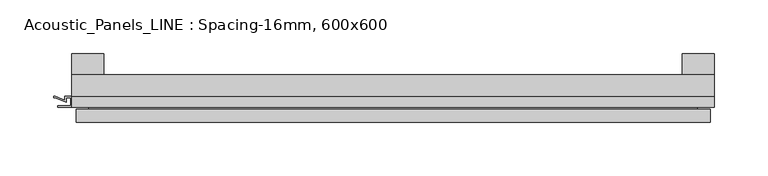
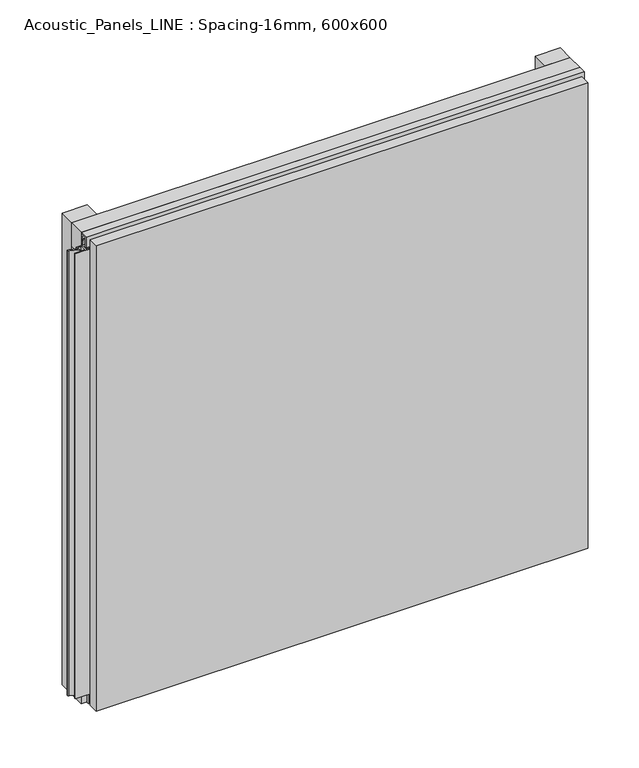
"""IFC4 building model written with IfcOpenShell, lengths in millimetres: plate geometry, Acoustic_Panels_LINE : Spacing-16mm, 600x600."""

from ifc_helpers import new_model, si_unit, frame, origin, origin_with_axes, place, context, project, spatial, polyline, outline, extrude, faceted_brep, source, transform, mapped, element, save


def acoustic_panels_line_spacing_16mm_600x600_ff6efb81(model_context):
    return source(origin(), model_context, "Body", "SolidModel", [
        extrude(outline(polyline([(-300.0, -40.0), (-300.0, -20.0), (300.0, -20.0), (300.0, -40.0), (-300.0, -40.0)])), frame((0.0, 0.0, 570.0), z_axis=(0.0, 0.0, 1.0), x_axis=(1.0, 0.0, 0.0)), (0.0, 0.0, 1.0), 30.0),
        extrude(outline(polyline([(-300.0, -40.0), (-300.0, -20.0), (300.0, -20.0), (300.0, -40.0), (-300.0, -40.0)])), origin_with_axes(), (0.0, 0.0, 1.0), 30.0),
        extrude(outline(polyline([(270.0, 0.0), (300.0, 0.0), (300.0, -20.0), (270.0, -20.0), (270.0, 0.0)])), origin_with_axes(), (0.0, 0.0, 1.0), 600.0),
        extrude(outline(polyline([(-270.0, 0.0), (-270.0, -20.0), (-300.0, -20.0), (-300.0, 0.0), (-270.0, 0.0)])), origin_with_axes(), (0.0, 0.0, 1.0), 600.0),
        extrude(outline(polyline([(-40.0, 593.700916), (-43.5, 593.700916), (-40.0553267, 584.6441401), (-40.0553267, 577.008452), (-41.4553267, 577.008452), (-41.4553267, 584.4296606), (-45.5140545, 595.100916), (-41.4, 595.100916), (-41.4, 598.5843193), (-48.7, 598.5843193), (-48.7, 586.5843193), (-50.1, 586.5843193), (-50.1, 600.0), (-40.0, 600.0), (-40.0, 593.700916)])), frame((-300.0, 0.0, 0.0), z_axis=(1.0, 0.0, 0.0), x_axis=(0.0, 1.0, 0.0)), (0.0, 0.0, 1.0), 600.0),
        extrude(outline(polyline([(293.700916, -40.0), (300.0, -40.0), (300.0, -50.1), (286.5843193, -50.1), (286.5843193, -48.7), (298.5843193, -48.7), (298.5843193, -41.4), (295.100916, -41.4), (295.100916, -45.5140545), (284.4296606, -41.4553267), (277.008452, -41.4553267), (277.008452, -40.0553267), (284.6441401, -40.0553267), (293.700916, -43.5), (293.700916, -40.0)])), frame((0.0, 0.0, 16.9558599), z_axis=(0.0, 0.0, 1.0), x_axis=(1.0, 0.0, 0.0)), (0.0, 0.0, 1.0), 566.0882802),
        extrude(outline(polyline([(-300.899084, -48.7), (-300.899084, -41.4), (-304.899084, -41.4), (-304.899084, -45.5140545), (-315.5703394, -41.4553267), (-316.9558599, -41.4553267), (-316.9558599, -40.0553267), (-315.3558599, -40.0553267), (-306.299084, -43.5), (-306.299084, -40.0), (-293.700916, -40.0), (-293.700916, -43.5), (-284.6441401, -40.0553267), (-283.0441401, -40.0553267), (-283.0441401, -41.4553267), (-284.4296606, -41.4553267), (-295.100916, -45.5140545), (-295.100916, -41.4), (-299.100916, -41.4), (-299.100916, -48.7), (-287.100916, -48.7), (-287.100916, -50.1), (-312.899084, -50.1), (-312.899084, -48.7), (-300.899084, -48.7)])), frame((0.0, 0.0, 16.9558599), z_axis=(0.0, 0.0, 1.0), x_axis=(1.0, 0.0, 0.0)), (0.0, 0.0, 1.0), 566.0882802),
        faceted_brep([(296.0, -45.9, 596.0), (-296.0, -45.9, 596.0), (-296.0, -48.7, 596.0), (296.0, -48.7, 596.0), (-296.0, -63.9, 596.0), (296.0, -63.9, 596.0), (296.0, -51.9, 596.0), (-296.0, -51.9, 596.0), (-296.0, -45.9, 4.0), (296.0, -45.9, 4.0), (296.0, -48.7, 4.0), (-296.0, -48.7, 4.0), (296.0, -63.9, 4.0), (-296.0, -63.9, 4.0), (-296.0, -51.9, 4.0), (296.0, -51.9, 4.0), (284.0, -51.9, 584.0), (284.0, -51.9, 16.0), (284.0, -48.7, 16.0), (284.0, -48.7, 584.0), (-284.0, -51.9, 16.0), (-284.0, -48.7, 16.0), (-284.0, -51.9, 584.0), (-284.0, -48.7, 584.0)], [[[0, 1, 2, 3]], [[4, 5, 6, 7]], [[8, 9, 10, 11]], [[12, 13, 14, 15]], [[1, 0, 9, 8]], [[1, 8, 11, 2]], [[13, 4, 7, 14]], [[5, 4, 13, 12]], [[9, 0, 3, 10]], [[5, 12, 15, 6]], [[16, 17, 18, 19]], [[18, 17, 20, 21]], [[21, 20, 22, 23]], [[16, 19, 23, 22]], [[7, 6, 15, 14], [17, 16, 22, 20]], [[3, 2, 11, 10], [19, 18, 21, 23]]]),
    ])


if __name__ == "__main__":
    model = new_model("IFC4")
    model_context = context("Model", 3, world=origin())
    ifc_project = project(units=[si_unit("LENGTHUNIT", "METRE", prefix="MILLI")], contexts=[model_context])
    site = spatial("IfcSite", under=ifc_project)
    building = spatial("IfcBuilding", under=site)
    placement = place(None, origin())
    acoustic_panels_line_spacing_16mm_600x600_shape = acoustic_panels_line_spacing_16mm_600x600_ff6efb81(model_context)
    element("IfcPlate", 1, ObjectType="Acoustic_Panels_LINE : Spacing-16mm, 600x600", at=placement, inside=building, context=model_context, shape_type="MappedRepresentation", body=[
        mapped(acoustic_panels_line_spacing_16mm_600x600_shape, transform((0.0, 0.0, 0.0), x_axis=(1.0, 0.0, 0.0), y_axis=(0.0, 1.0, 0.0), z_axis=(0.0, 0.0, 1.0))),
    ])
    save(model, "model.ifc")
